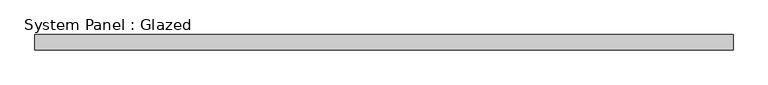
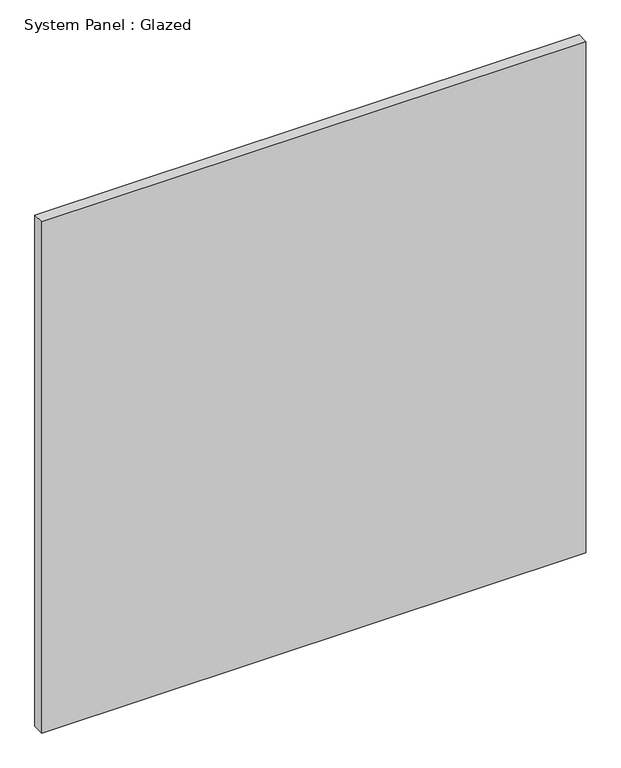
"""IFC4 building model written with IfcOpenShell, lengths in millimetres: plate geometry, System Panel : Glazed."""

import ifcopenshell
import ifcopenshell.guid

model = None  # the IFC model being written
_history = None  # IfcOwnerHistory: only IFC2X3 demands one
_inside = {}  # id of a spatial element -> (the spatial element, [elements in it])
_under = {}  # id of a project, library or spatial element -> (it, [spatial elements below it])
_declared = {}  # id of a project -> (the project, [libraries it declares])
_typed = {}  # id of a type object -> (the type object, [elements of that type])
_made_of = {}  # id of a material, layer set ... -> (it, [elements and type objects made of it])


def new_model(schema):
    """Start an empty IFC model of exactly this schema.

    Asked for "IFC4X3", IfcOpenShell would pick the latest addendum, in which some entities
    have other attributes; the version numbers below select the first issue.
    IFC2X3 requires an IfcOwnerHistory on every rooted entity: one is made here for all.
    """
    global model, _history
    if schema == "IFC4X3":
        model = ifcopenshell.file(schema_version=(4, 3, 0, 0))
    else:
        model = ifcopenshell.file(schema=schema)
    _inside.clear()
    _under.clear()
    _declared.clear()
    _typed.clear()
    _made_of.clear()
    _history = None
    if model.schema == "IFC2X3":
        org = make("IfcOrganization", Name="unknown")
        user = make(
            "IfcPersonAndOrganization",
            ThePerson=make("IfcPerson", FamilyName="unknown"),
            TheOrganization=org,
        )
        app = make(
            "IfcApplication",
            ApplicationDeveloper=org,
            Version="unknown",
            ApplicationFullName="unknown",
            ApplicationIdentifier="unknown",
        )
        _history = make(
            "IfcOwnerHistory",
            OwningUser=user,
            OwningApplication=app,
            ChangeAction="ADDED",
            CreationDate=0,
        )
    return model


def make(cls, **values):
    """One entity of the class cls with the attributes given. An attribute that is None is left unset."""
    return model.create_entity(
        cls, **{name: value for name, value in values.items() if value is not None}
    )


def rooted(cls, **values):
    """An entity with a GlobalId (a new one), such as an element, a storey or a relation."""
    return make(cls, GlobalId=ifcopenshell.guid.new(), OwnerHistory=_history, **values)


def si_unit(unit_type, name, prefix=None):
    """IfcSIUnit, for example si_unit("LENGTHUNIT", "METRE", prefix="MILLI")."""
    return make("IfcSIUnit", UnitType=unit_type, Prefix=prefix, Name=name)


def assignment(units):
    """IfcUnitAssignment: the units of a project."""
    return None if units is None else make("IfcUnitAssignment", Units=units)


def point(xyz):
    """IfcCartesianPoint."""
    return None if xyz is None else make("IfcCartesianPoint", Coordinates=xyz)


def direction(xyz):
    """IfcDirection."""
    return None if xyz is None else make("IfcDirection", DirectionRatios=xyz)


def frame(location, z_axis=None, x_axis=None):
    """IfcAxis2Placement3D, a coordinate frame: its origin and axes. An axis left out is left unset."""
    return make(
        "IfcAxis2Placement3D",
        Location=point(location),
        Axis=direction(z_axis),
        RefDirection=direction(x_axis),
    )


def origin():
    """The frame at (0, 0, 0) with its axes left unset."""
    return frame((0.0, 0.0, 0.0))


def origin_with_axes():
    """The frame at (0, 0, 0) with the z axis (0, 0, 1) and the x axis (1, 0, 0) written out."""
    return frame((0.0, 0.0, 0.0), z_axis=(0.0, 0.0, 1.0), x_axis=(1.0, 0.0, 0.0))


def place(relative_to, where):
    """IfcLocalPlacement: puts the frame where relative to a parent placement (None: the world)."""
    return make(
        "IfcLocalPlacement", PlacementRelTo=relative_to, RelativePlacement=where
    )


def context(
    kind, dimensions, precision=None, world=None, true_north=None, identifier=None
):
    """IfcGeometricRepresentationContext, for example the 3D "Model" context."""
    return make(
        "IfcGeometricRepresentationContext",
        ContextIdentifier=identifier,
        ContextType=kind,
        CoordinateSpaceDimension=dimensions,
        Precision=precision,
        WorldCoordinateSystem=world,
        TrueNorth=true_north,
    )


def project(units=None, contexts=None):
    """IfcProject with its units and contexts."""
    return rooted(
        "IfcProject",
        Name="project",
        RepresentationContexts=contexts,
        UnitsInContext=assignment(units),
    )


def spatial(cls, under=None, at=None, **own):
    """A site, building, storey or space (cls), placed at a placement, below another one or the project."""
    s = rooted(cls, ObjectPlacement=at, **own)
    if under is not None:
        _under.setdefault(under.id(), (under, []))[1].append(s)
    return s


def polyline(points):
    """IfcPolyline through the points."""
    return make("IfcPolyline", Points=[point(p) for p in points])


def outline(outer, holes=None, kind="AREA"):
    """IfcArbitraryClosedProfileDef: a profile drawn as a closed curve; with holes, ...WithVoids."""
    if holes is None:
        return make("IfcArbitraryClosedProfileDef", ProfileType=kind, OuterCurve=outer)
    return make(
        "IfcArbitraryProfileDefWithVoids",
        ProfileType=kind,
        OuterCurve=outer,
        InnerCurves=holes,
    )


def extrude(swept, where, along, depth):
    """IfcExtrudedAreaSolid: the profile swept, set in the frame where, extruded along a direction by depth."""
    return make(
        "IfcExtrudedAreaSolid",
        SweptArea=swept,
        Position=where,
        ExtrudedDirection=direction(along),
        Depth=depth,
    )


def shape(context_of_items, identifier, shape_type, items):
    """IfcShapeRepresentation: the items that make up one representation, for example the "Body"."""
    return make(
        "IfcShapeRepresentation",
        ContextOfItems=context_of_items,
        RepresentationIdentifier=identifier,
        RepresentationType=shape_type,
        Items=items,
    )


def source(mapping_origin, context_of_items, identifier, shape_type, items):
    """IfcRepresentationMap: a shape defined once, which mapped items show again and again."""
    return make(
        "IfcRepresentationMap",
        MappingOrigin=mapping_origin,
        MappedRepresentation=shape(context_of_items, identifier, shape_type, items),
    )


def transform(
    local_origin,
    x_axis=None,
    y_axis=None,
    z_axis=None,
    scale=None,
    scale2=None,
    scale3=None,
    uniform=True,
):
    """IfcCartesianTransformationOperator3D, or its non-uniform kind. x_axis, y_axis, z_axis: its Axis1, 2, 3."""
    if uniform:
        return make(
            "IfcCartesianTransformationOperator3D",
            Axis1=direction(x_axis),
            Axis2=direction(y_axis),
            LocalOrigin=point(local_origin),
            Scale=scale,
            Axis3=direction(z_axis),
        )
    return make(
        "IfcCartesianTransformationOperator3DnonUniform",
        Axis1=direction(x_axis),
        Axis2=direction(y_axis),
        LocalOrigin=point(local_origin),
        Scale=scale,
        Axis3=direction(z_axis),
        Scale2=scale2,
        Scale3=scale3,
    )


def mapped(mapping_source, mapping_target):
    """IfcMappedItem: shows the shape of a source again, moved by a transform."""
    return make(
        "IfcMappedItem", MappingSource=mapping_source, MappingTarget=mapping_target
    )


def made_of(thing, what):
    """Note that an element or type object is made of a material, layer set ...; save() writes the relation."""
    if what is not None:
        _made_of.setdefault(what.id(), (what, []))[1].append(thing)
    return thing


def element(
    cls,
    number,
    at=None,
    inside=None,
    cuts=None,
    type_object=None,
    material=None,
    context=None,
    identifier="Body",
    shape_type=None,
    held_by="IfcProductDefinitionShape",
    body=None,
    shapes=None,
    **own,
):
    """One element of the class cls, such as IfcWall. Its Tag is "e" and its number.

    at: its placement. inside: the storey or other place that contains it. cuts: it is an
    opening in that element (IfcRelVoidsElement). A single representation is given by context,
    identifier, shape_type and body (its items); several are given by shapes. held_by: the class
    of the entity that holds the representations. save() writes the other relations.
    """
    e = rooted(cls, Tag="e%d" % number, ObjectPlacement=at, **own)
    if body is not None:
        shapes = [shape(context, identifier, shape_type, body)]
    if shapes is not None:
        e.Representation = make(held_by, Representations=shapes)
    if inside is not None:
        _inside.setdefault(inside.id(), (inside, []))[1].append(e)
    if cuts is not None:
        rooted(
            "IfcRelVoidsElement", RelatingBuildingElement=cuts, RelatedOpeningElement=e
        )
    if type_object is not None:
        _typed.setdefault(type_object.id(), (type_object, []))[1].append(e)
    return made_of(e, material)


def aggregate(whole, parts):
    """IfcRelAggregates: a whole, such as a stair, and the parts it consists of."""
    return rooted("IfcRelAggregates", RelatingObject=whole, RelatedObjects=parts)


def save(model, path):
    """Write the relations noted so far, then the file.

    IfcRelAggregates (storeys below a building ...), IfcRelContainedInSpatialStructure (elements
    in a storey), IfcRelDefinesByType, IfcRelAssociatesMaterial and IfcRelDeclares: one each for
    every whole, place, type object, material and project.
    """
    for whole, parts in _under.values():
        aggregate(whole, parts)
    for where, things in _inside.values():
        rooted(
            "IfcRelContainedInSpatialStructure",
            RelatedElements=things,
            RelatingStructure=where,
        )
    for kind, things in _typed.values():
        rooted("IfcRelDefinesByType", RelatedObjects=things, RelatingType=kind)
    for what, things in _made_of.values():
        rooted("IfcRelAssociatesMaterial", RelatedObjects=things, RelatingMaterial=what)
    for by, libraries in _declared.values():
        rooted("IfcRelDeclares", RelatingContext=by, RelatedDefinitions=libraries)
    model.write(path)


def system_panel_glazed_0eec46d9(model_context):
    return source(origin(), model_context, "Body", "SweptSolid", [
        extrude(outline(polyline([(581.9069444, -44.45), (-581.9069444, -44.45), (-581.9069444, -19.05), (581.9069444, -19.05), (581.9069444, -44.45)])), origin_with_axes(), (0.0, 0.0, 1.0), 1155.7),
    ])


if __name__ == "__main__":
    model = new_model("IFC4")
    model_context = context("Model", 3, world=origin())
    ifc_project = project(units=[si_unit("LENGTHUNIT", "METRE", prefix="MILLI")], contexts=[model_context])
    site = spatial("IfcSite", under=ifc_project)
    building = spatial("IfcBuilding", under=site)
    placement = place(None, origin())
    system_panel_glazed_shape = system_panel_glazed_0eec46d9(model_context)
    element("IfcPlate", 1, ObjectType="System Panel : Glazed", at=placement, inside=building, context=model_context, shape_type="MappedRepresentation", body=[
        mapped(system_panel_glazed_shape, transform((0.0, 0.0, 0.0), x_axis=(1.0, 0.0, 0.0), y_axis=(0.0, 1.0, 0.0), z_axis=(0.0, 0.0, 1.0))),
    ])
    save(model, "model.ifc")
